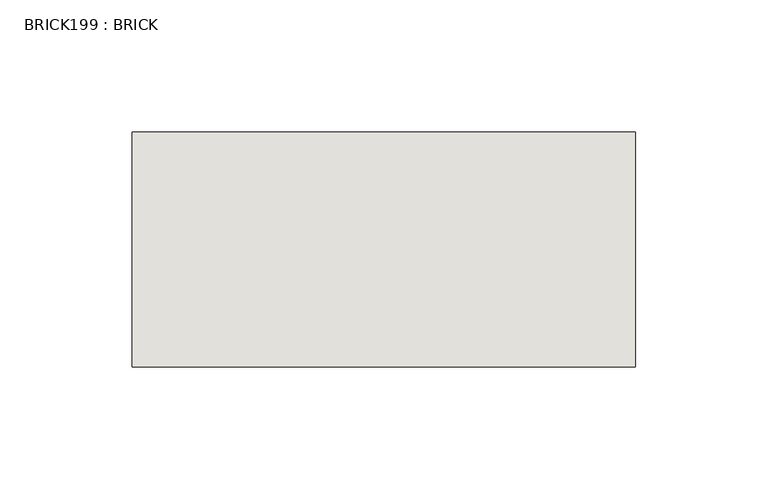
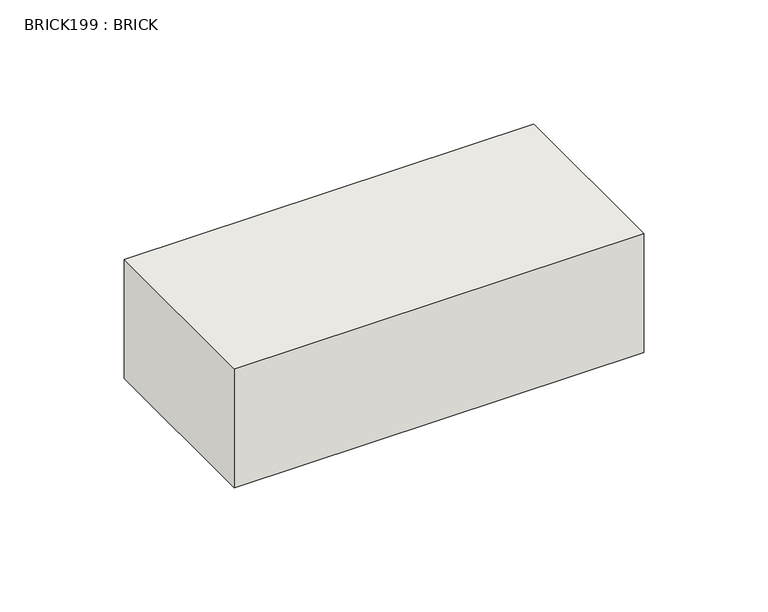
"""IFC4 building model written with IfcOpenShell, lengths in millimetres: wall geometry, BRICK199 : BRICK."""

from ifc_helpers import new_model, si_unit, frame, origin, place, context, project, spatial, polyline, outline, extrude, source, transform, mapped, element, save


def brick199_brick_364c6165(model_context):
    return source(origin(), model_context, "Body", "SweptSolid", [
        extrude(outline(polyline([(-768.7316239, 3062.3923312), (-578.2316239, 3062.3923312), (-578.2316239, 2973.4923312), (-768.7316239, 2973.4923312), (-768.7316239, 3062.3923312)])), frame((0.0, 0.0, 353.7148438), z_axis=(0.0, 0.0, 1.0), x_axis=(1.0, 0.0, 0.0)), (0.0, 0.0, 1.0), 58.4398438),
    ])


if __name__ == "__main__":
    model = new_model("IFC4")
    model_context = context("Model", 3, world=origin())
    ifc_project = project(units=[si_unit("LENGTHUNIT", "METRE", prefix="MILLI")], contexts=[model_context])
    site = spatial("IfcSite", under=ifc_project)
    building = spatial("IfcBuilding", under=site)
    placement = place(None, origin())
    brick199_brick_shape = brick199_brick_364c6165(model_context)
    element("IfcWall", 1, ObjectType="BRICK199 : BRICK", at=placement, inside=building, context=model_context, shape_type="MappedRepresentation", body=[
        mapped(brick199_brick_shape, transform((0.0, 0.0, 0.0), x_axis=(1.0, 0.0, 0.0), y_axis=(0.0, 1.0, 0.0), z_axis=(0.0, 0.0, 1.0))),
    ])
    save(model, "model.ifc")
